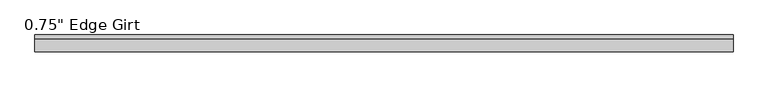
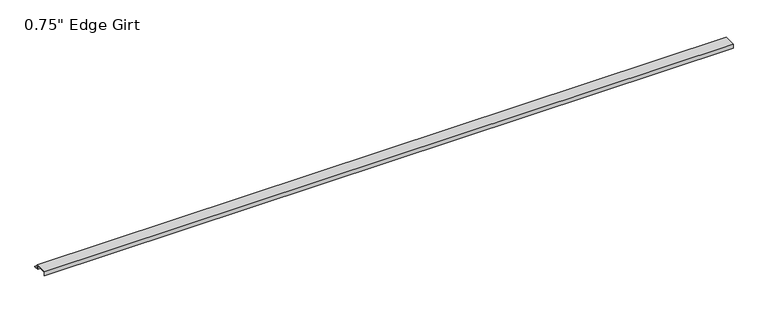
"""IFC4 building model written with IfcOpenShell, lengths in millimetres: proxy geometry."""

from ifc_helpers import new_model, si_unit, frame, origin, place, context, project, spatial, polyline, outline, extrude, source, transform, mapped, element, save


def proxy_6e491401(model_context):
    return source(origin(), model_context, "Body", "SweptSolid", [
        extrude(outline(polyline([(46.0559645, -17.4375), (25.4, -17.4375), (25.4, 0.0), (-25.4, 0.0), (-25.4, -17.4375), (-27.0129, -17.4375), (-27.0129, 1.6129), (27.0129, 1.6129), (27.0129, -15.8242), (46.0559645, -15.8242), (46.0559645, -17.4375)])), frame((0.0, 0.0, 0.0), z_axis=(1.0, 0.0, 0.0), x_axis=(0.0, 1.0, 0.0)), (0.0, 0.0, 1.0), 3048.0),
    ])


if __name__ == "__main__":
    model = new_model("IFC4")
    model_context = context("Model", 3, world=origin())
    ifc_project = project(units=[si_unit("LENGTHUNIT", "METRE", prefix="MILLI")], contexts=[model_context])
    site = spatial("IfcSite", under=ifc_project)
    building = spatial("IfcBuilding", under=site)
    placement = place(None, origin())
    proxy_shape = proxy_6e491401(model_context)
    element("IfcBuildingElementProxy", 1, Name="0.75\" Edge Girt", ObjectType="0.75\" Edge Girt", at=placement, inside=building, context=model_context, shape_type="MappedRepresentation", body=[
        mapped(proxy_shape, transform((0.0, 0.0, 0.0), x_axis=(1.0, 0.0, 0.0), y_axis=(0.0, 1.0, 0.0), z_axis=(0.0, 0.0, 1.0))),
    ])
    save(model, "model.ifc")
